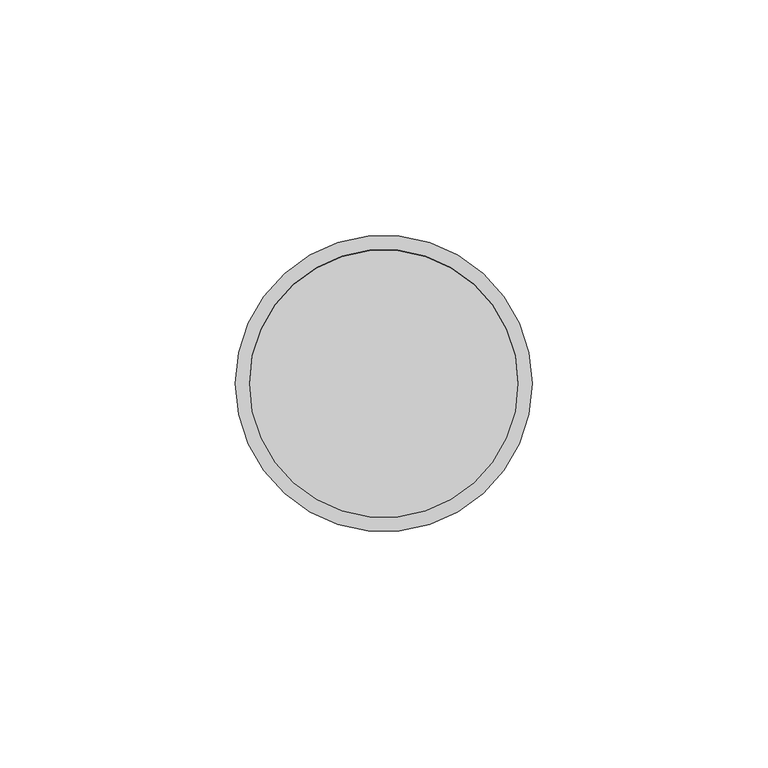
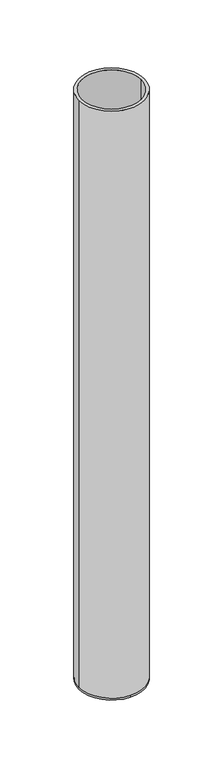
"""IFC4 building model written with IfcOpenShell, lengths in millimetres: beam geometry."""

from ifc_helpers import new_model, si_unit, frame, origin, place, context, project, spatial, polyline, circle_curve, source, transform, mapped, element, save
from ifc_brep_helpers import plane_surface, cylinder_surface, revolved_surface, advanced_brep


def beam_1c2e1470(model_context):
    return source(origin(), model_context, "Body", "AdvancedBrep", [
        advanced_brep(
        [(31.5, 0.0, 0.0), (-31.5, 0.0, 0.0), (28.5, 0.0, 0.0), (-28.5, 0.0, 0.0), (28.5, 0.0, -598.0), (-28.5, 0.0, -598.0), (31.5, 0.0, -598.0), (0.0, 31.5, -598.0), (-31.5, 0.0, -598.0), (0.0, -31.5, -598.0), (0.0, 31.5, -600.0), (0.0, -31.5, -600.0)],
        [
            (0, 1, circle_curve(frame((0.0, 0.0, 0.0), z_axis=(0.0, 0.0, 1.0), x_axis=(-1.0, 0.0, 0.0)), 31.5)),
            (1, 0, circle_curve(frame((0.0, 0.0, 0.0), z_axis=(0.0, 0.0, 1.0), x_axis=(-1.0, 0.0, 0.0)), 31.5)),
            (2, 3, circle_curve(frame((0.0, 0.0, 0.0), z_axis=(0.0, 0.0, -1.0), x_axis=(-1.0, 0.0, 0.0)), 28.5)),
            (3, 2, circle_curve(frame((0.0, 0.0, 0.0), z_axis=(0.0, 0.0, -1.0), x_axis=(-1.0, 0.0, 0.0)), 28.5)),
            (2, 4),
            (4, 5, circle_curve(frame((0.0, 0.0, -598.0), z_axis=(0.0, 0.0, -1.0), x_axis=(-1.0, 0.0, 0.0)), 28.5)),
            (5, 3),
            (5, 4, circle_curve(frame((0.0, 0.0, -598.0), z_axis=(0.0, 0.0, -1.0), x_axis=(-1.0, 0.0, 0.0)), 28.5)),
            (0, 6),
            (6, 7, circle_curve(frame((0.0, 0.0, -598.0), z_axis=(0.0, 0.0, 1.0), x_axis=(-1.0, 0.0, 0.0)), 31.5)),
            (7, 8, circle_curve(frame((0.0, 0.0, -598.0), z_axis=(0.0, 0.0, 1.0), x_axis=(-1.0, 0.0, 0.0)), 31.5)),
            (8, 1),
            (8, 9, circle_curve(frame((0.0, 0.0, -598.0), z_axis=(0.0, 0.0, 1.0), x_axis=(-1.0, 0.0, 0.0)), 31.5)),
            (9, 6, circle_curve(frame((0.0, 0.0, -598.0), z_axis=(0.0, 0.0, 1.0), x_axis=(-1.0, 0.0, 0.0)), 31.5)),
            (10, 11, circle_curve(frame((0.0, 0.0, -600.0), z_axis=(0.0, 0.0, -1.0), x_axis=(0.0, -1.0, 0.0)), 31.5)),
            (11, 10, circle_curve(frame((0.0, 0.0, -600.0), z_axis=(0.0, 0.0, -1.0), x_axis=(0.0, -1.0, 0.0)), 31.5)),
            (11, 9),
            (7, 10),
        ],
        [
            plane_surface(frame((0.0, 0.0, 0.0), z_axis=(0.0, 0.0, 1.0), x_axis=(0.0, -1.0, 0.0))),
            revolved_surface(polyline([(-28.5, 0.0, 0.0), (-28.5, 0.0, -598.0)]), (0.0, 0.0, -598.0), (0.0, 0.0, 1.0)),
            cylinder_surface(frame((0.0, 0.0, -598.0), z_axis=(0.0, 0.0, -1.0), x_axis=(-1.0, 0.0, 0.0)), 31.5),
            plane_surface(frame((0.0, 0.0, -598.0), z_axis=(0.0, 0.0, 1.0), x_axis=(0.0, -1.0, 0.0))),
            plane_surface(frame((0.0, 0.0, -600.0), z_axis=(0.0, 0.0, -1.0), x_axis=(0.0, -1.0, 0.0))),
            cylinder_surface(frame((0.0, 0.0, -598.0), z_axis=(0.0, 0.0, 1.0), x_axis=(0.0, -1.0, 0.0)), 31.5),
        ],
        [
            (0, [[1, 2], [3, 4]]),
            (1, [[-3, 5, 6, 7]]),
            (1, [[-4, -7, 8, -5]]),
            (2, [[-1, 9, 10, 11, 12]]),
            (2, [[-2, -12, 13, 14, -9]]),
            (3, [[-6, -8]]),
            (4, [[15, 16]]),
            (5, [[-16, 17, -13, -11, 18]]),
            (5, [[-15, -18, -10, -14, -17]]),
        ],
    ),
    ])


if __name__ == "__main__":
    model = new_model("IFC4")
    model_context = context("Model", 3, world=origin())
    ifc_project = project(units=[si_unit("LENGTHUNIT", "METRE", prefix="MILLI")], contexts=[model_context])
    site = spatial("IfcSite", under=ifc_project)
    building = spatial("IfcBuilding", under=site)
    placement = place(None, origin())
    beam_shape = beam_1c2e1470(model_context)
    element("IfcBeam", 1, at=placement, inside=building, context=model_context, shape_type="MappedRepresentation", body=[
        mapped(beam_shape, transform((0.0, 0.0, 0.0), x_axis=(1.0, 0.0, 0.0), y_axis=(0.0, 1.0, 0.0), z_axis=(0.0, 0.0, 1.0))),
    ])
    save(model, "model.ifc")
